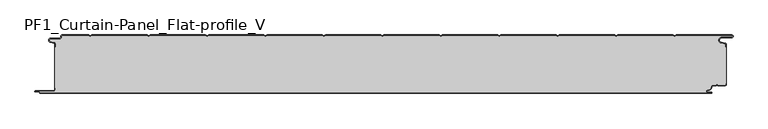
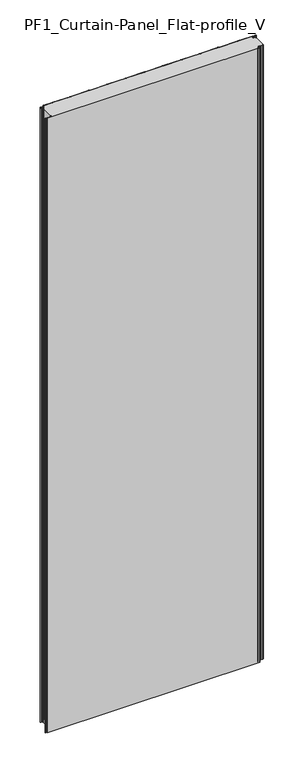
"""IFC4 building model written with IfcOpenShell, lengths in millimetres: plate geometry, PF1_Curtain-Panel_Flat-profile_V."""

from ifc_helpers import new_model, si_unit, point, frame_2d, origin, origin_with_axes, place, context, project, spatial, polyline, circle_curve, trimmed, segment, composite_curve, outline, extrude, source, transform, mapped, element, save


def pf1_curtain_panel_flat_profile_v_8d65df82(model_context):
    return source(origin(), model_context, "Body", "SweptSolid", [
        extrude(outline(composite_curve([segment(trimmed(circle_curve(frame_2d((-577.0, -15.878557)), 2.0), [point((-575.0, -15.878557))], [point((-576.5500978, -13.9298169))], True, "CARTESIAN"), True, "CONTINUOUS"), segment(polyline([(-576.5500978, -13.9298169), (-582.7098239, -12.507732)]), True, "CONTINUOUS"), segment(trimmed(circle_curve(frame_2d((-581.9, -9.0)), 3.6), [point((-582.7098239, -12.507732))], [point((-581.9, -5.4))], False, "CARTESIAN"), True, "CONTINUOUS"), segment(polyline([(-581.9, -5.4), (-566.4, -5.4)]), True, "CONTINUOUS"), segment(trimmed(circle_curve(frame_2d((-566.4, -3.4)), 2.0), [point((-566.4, -5.4))], [point((-564.4, -3.4))], True, "CARTESIAN"), True, "CONTINUOUS"), segment(polyline([(-564.4, -3.4), (-564.4, -2.0)]), True, "CONTINUOUS"), segment(trimmed(circle_curve(frame_2d((-562.4, -2.0)), 2.0), [point((-564.4, -2.0))], [point((-562.4, 0.0))], False, "CARTESIAN"), True, "CONTINUOUS"), segment(polyline([(-562.4, 0.0), (-517.0999995, 0.0), (-514.4, -1.5588455), (-511.7000005, 0.0), (-417.0999995, 0.0), (-414.4, -1.5588455), (-411.7000005, 0.0), (-317.0999995, 0.0), (-314.4, -1.5588455), (-311.7000005, 0.0), (-217.0999995, 0.0), (-214.4, -1.5588455), (-211.7000005, 0.0), (-117.0999995, 0.0), (-114.4, -1.5588455), (-111.7000005, 0.0), (-17.0999995, 0.0), (-14.4, -1.5588455), (-11.7000005, 0.0), (82.9000005, 0.0), (85.6, -1.5588455), (88.2999995, 0.0), (182.9000005, 0.0), (185.6, -1.5588455), (188.2999995, 0.0), (282.9000005, 0.0), (285.6, -1.5588455), (288.2999995, 0.0), (382.9000005, 0.0), (385.6, -1.5588455), (388.2999995, 0.0), (482.9000005, 0.0), (485.6, -1.5588455), (488.2999995, 0.0), (583.268846, 0.0)]), True, "CONTINUOUS"), segment(trimmed(circle_curve(frame_2d((583.268846, -2.5)), 2.5), [point((583.268846, 0.0))], [point((583.268846, -5.0))], False, "CARTESIAN"), True, "CONTINUOUS"), segment(polyline([(583.268846, -5.0), (566.268846, -5.0)]), True, "CONTINUOUS"), segment(trimmed(circle_curve(frame_2d((566.268846, -9.0)), 4.0), [point((566.268846, -5.0))], [point((565.574253, -12.939231))], True, "CARTESIAN"), True, "CONTINUOUS"), segment(polyline([(565.574253, -12.939231), (572.0203315, -14.0758491)]), True, "CONTINUOUS"), segment(trimmed(circle_curve(frame_2d((571.568846, -16.6363492)), 2.6), [point((572.0203315, -14.0758491))], [point((574.168846, -16.6363492))], False, "CARTESIAN"), True, "CONTINUOUS"), segment(polyline([(574.168846, -16.6363492), (574.168846, -20.0), (573.368846, -20.0), (573.368846, -16.6363492)]), True, "CONTINUOUS"), segment(trimmed(circle_curve(frame_2d((571.568846, -16.6363492)), 1.8), [point((573.368846, -16.6363492))], [point((571.8814129, -14.8636953))], True, "CARTESIAN"), True, "CONTINUOUS"), segment(polyline([(571.8814129, -14.8636953), (565.4353344, -13.7270772)]), True, "CONTINUOUS"), segment(trimmed(circle_curve(frame_2d((566.268846, -9.0)), 4.8), [point((565.4353344, -13.7270772))], [point((566.268846, -4.2))], False, "CARTESIAN"), True, "CONTINUOUS"), segment(polyline([(566.268846, -4.2), (583.268846, -4.2)]), True, "CONTINUOUS"), segment(trimmed(circle_curve(frame_2d((583.268846, -2.5)), 1.7), [point((583.268846, -4.2))], [point((583.268846, -0.8))], True, "CARTESIAN"), True, "CONTINUOUS"), segment(polyline([(583.268846, -0.8), (488.5143588, -0.8), (485.6, -2.482606), (482.6856412, -0.8), (388.5143588, -0.8), (385.6, -2.482606), (382.6856412, -0.8), (288.5143588, -0.8), (285.6, -2.482606), (282.6856412, -0.8), (188.5143588, -0.8), (185.6, -2.482606), (182.6856412, -0.8), (88.5143588, -0.8), (85.6, -2.482606), (82.6856412, -0.8), (-11.4856412, -0.8), (-14.4, -2.482606), (-17.3143588, -0.8), (-111.4856412, -0.8), (-114.4, -2.482606), (-117.3143588, -0.8), (-211.4856412, -0.8), (-214.4, -2.482606), (-217.3143588, -0.8), (-311.4856412, -0.8), (-314.4, -2.482606), (-317.3143588, -0.8), (-411.4856412, -0.8), (-414.4, -2.482606), (-417.3143588, -0.8), (-511.4856412, -0.8), (-514.4, -2.482606), (-517.3143588, -0.8), (-562.4, -0.8)]), True, "CONTINUOUS"), segment(trimmed(circle_curve(frame_2d((-562.4, -2.0)), 1.2), [point((-562.4, -0.8))], [point((-563.6, -2.0))], True, "CARTESIAN"), True, "CONTINUOUS"), segment(polyline([(-563.6, -2.0), (-563.6, -3.4)]), True, "CONTINUOUS"), segment(trimmed(circle_curve(frame_2d((-566.4, -3.4)), 2.8), [point((-563.6, -3.4))], [point((-566.4, -6.2))], False, "CARTESIAN"), True, "CONTINUOUS"), segment(polyline([(-566.4, -6.2), (-581.9, -6.2)]), True, "CONTINUOUS"), segment(trimmed(circle_curve(frame_2d((-581.9, -9.0)), 2.8), [point((-581.9, -6.2))], [point((-582.529863, -11.7282362))], True, "CARTESIAN"), True, "CONTINUOUS"), segment(polyline([(-582.529863, -11.7282362), (-576.370137, -13.150321)]), True, "CONTINUOUS"), segment(trimmed(circle_curve(frame_2d((-577.0, -15.878557)), 2.8), [point((-576.370137, -13.150321))], [point((-574.2, -15.878557))], False, "CARTESIAN"), True, "CONTINUOUS"), segment(polyline([(-574.2, -15.878557), (-574.2, -20.0), (-575.0, -20.0), (-575.0, -15.878557)]), True, "CONTINUOUS")], self_intersect=False)), origin_with_axes(), (0.0, 0.0, 1.0), 3500.0),
        extrude(outline(composite_curve([segment(polyline([(-574.2, -90.0), (-575.0, -90.0), (-575.0, -20.0), (-574.2, -20.0), (-574.2, -15.878557)]), True, "CONTINUOUS"), segment(trimmed(circle_curve(frame_2d((-577.0, -15.878557)), 2.8), [point((-574.2, -15.878557))], [point((-576.370137, -13.1503208))], True, "CARTESIAN"), True, "CONTINUOUS"), segment(polyline([(-576.370137, -13.1503208), (-582.529863, -11.7282362)]), True, "CONTINUOUS"), segment(trimmed(circle_curve(frame_2d((-581.9, -9.0)), 2.8), [point((-582.529863, -11.7282362))], [point((-581.9, -6.2))], False, "CARTESIAN"), True, "CONTINUOUS"), segment(polyline([(-581.9, -6.2), (-566.4, -6.2)]), True, "CONTINUOUS"), segment(trimmed(circle_curve(frame_2d((-566.4, -3.4)), 2.8), [point((-566.4, -6.2))], [point((-563.6, -3.4))], True, "CARTESIAN"), True, "CONTINUOUS"), segment(polyline([(-563.6, -3.4), (-563.6, -2.0)]), True, "CONTINUOUS"), segment(trimmed(circle_curve(frame_2d((-562.4, -2.0)), 1.2), [point((-563.6, -2.0))], [point((-562.4, -0.8))], False, "CARTESIAN"), True, "CONTINUOUS"), segment(polyline([(-562.4, -0.8), (-517.3143588, -0.8), (-514.4, -2.482606), (-511.4856412, -0.8), (-417.3143588, -0.8), (-414.4, -2.482606), (-411.4856412, -0.8), (-317.3143588, -0.8), (-314.4, -2.482606), (-311.4856412, -0.8), (-217.3143588, -0.8), (-214.4, -2.482606), (-211.4856412, -0.8), (-117.3143588, -0.8), (-114.4, -2.482606), (-111.4856412, -0.8), (-17.3143588, -0.8), (-14.4, -2.482606), (-11.4856412, -0.8), (82.6856412, -0.8), (85.6, -2.482606), (88.5143588, -0.8), (182.6856412, -0.8), (185.6, -2.482606), (188.5143588, -0.8), (282.6856412, -0.8), (285.6, -2.482606), (288.5143588, -0.8), (382.6856412, -0.8), (385.6, -2.482606), (388.5143588, -0.8), (482.6856412, -0.8), (485.6, -2.482606), (488.5143588, -0.8), (583.268846, -0.8)]), True, "CONTINUOUS"), segment(trimmed(circle_curve(frame_2d((583.268846, -2.5)), 1.7), [point((583.268846, -0.8))], [point((583.268846, -4.2))], False, "CARTESIAN"), True, "CONTINUOUS"), segment(polyline([(583.268846, -4.2), (566.268846, -4.2)]), True, "CONTINUOUS"), segment(trimmed(circle_curve(frame_2d((566.268846, -9.0)), 4.8), [point((566.268846, -4.2))], [point((565.4353344, -13.7270772))], True, "CARTESIAN"), True, "CONTINUOUS"), segment(polyline([(565.4353344, -13.7270772), (571.8814129, -14.8636953)]), True, "CONTINUOUS"), segment(trimmed(circle_curve(frame_2d((571.568846, -16.6363492)), 1.8), [point((571.8814129, -14.8636953))], [point((573.368846, -16.6363492))], False, "CARTESIAN"), True, "CONTINUOUS"), segment(polyline([(573.368846, -16.6363492), (573.368846, -20.0), (574.168846, -20.0), (574.168846, -83.0), (573.368846, -83.0), (573.368846, -84.4)]), True, "CONTINUOUS"), segment(trimmed(circle_curve(frame_2d((571.568846, -84.4)), 1.8), [point((573.368846, -84.4))], [point((571.568846, -86.2))], False, "CARTESIAN"), True, "CONTINUOUS"), segment(polyline([(571.568846, -86.2), (560.0002158, -86.2), (558.168846, -84.3686285), (556.3374762, -86.2), (550.168846, -86.2)]), True, "CONTINUOUS"), segment(trimmed(circle_curve(frame_2d((550.168846, -88.0)), 1.8), [point((550.168846, -86.2))], [point((548.368846, -88.0))], True, "CARTESIAN"), True, "CONTINUOUS"), segment(polyline([(548.368846, -88.0), (548.368846, -88.8276204)]), True, "CONTINUOUS"), segment(trimmed(circle_curve(frame_2d((542.9964664, -88.8276204)), 5.3723796), [point((548.368846, -88.8276204))], [point((542.9964664, -94.2))], False, "CARTESIAN"), True, "CONTINUOUS"), segment(polyline([(542.9964664, -94.2), (542.168846, -94.2)]), True, "CONTINUOUS"), segment(trimmed(circle_curve(frame_2d((542.168846, -96.4)), 2.2), [point((542.168846, -94.2))], [point((542.168846, -98.6))], True, "CARTESIAN"), True, "CONTINUOUS"), segment(polyline([(542.168846, -98.6), (548.0579973, -98.6)]), True, "CONTINUOUS"), segment(trimmed(circle_curve(frame_2d((548.0579973, -98.9)), 0.3), [point((548.0579973, -98.6))], [point((548.0579973, -99.2))], False, "CARTESIAN"), True, "CONTINUOUS"), segment(polyline([(548.0579973, -99.2), (-599.4, -99.2)]), True, "CONTINUOUS"), segment(trimmed(circle_curve(frame_2d((-599.4, -98.4)), 0.8), [point((-599.4, -99.2))], [point((-600.2, -98.4))], False, "CARTESIAN"), True, "CONTINUOUS"), segment(trimmed(circle_curve(frame_2d((-601.9, -98.6133333)), 1.7133333), [point((-600.2, -98.4))], [point((-601.9, -96.9))], True, "CARTESIAN"), True, "CONTINUOUS"), segment(polyline([(-601.9, -96.9), (-607.8700312, -96.9)]), True, "CONTINUOUS"), segment(trimmed(circle_curve(frame_2d((-607.8700312, -96.6)), 0.3), [point((-607.8700312, -96.9))], [point((-607.8700312, -96.3))], False, "CARTESIAN"), True, "CONTINUOUS"), segment(polyline([(-607.8700312, -96.3), (-577.0, -96.3)]), True, "CONTINUOUS"), segment(trimmed(circle_curve(frame_2d((-577.0, -93.5)), 2.8), [point((-577.0, -96.3))], [point((-574.2, -93.5))], True, "CARTESIAN"), True, "CONTINUOUS"), segment(polyline([(-574.2, -93.5), (-574.2, -90.0)]), True, "CONTINUOUS")], self_intersect=False)), origin_with_axes(), (0.0, 0.0, 1.0), 3500.0),
        extrude(outline(composite_curve([segment(polyline([(-575.0, -90.0), (-574.2, -90.0), (-574.2, -93.5)]), True, "CONTINUOUS"), segment(trimmed(circle_curve(frame_2d((-577.0, -93.5)), 2.8), [point((-574.2, -93.5))], [point((-577.0, -96.3))], False, "CARTESIAN"), True, "CONTINUOUS"), segment(polyline([(-577.0, -96.3), (-607.8700312, -96.3)]), True, "CONTINUOUS"), segment(trimmed(circle_curve(frame_2d((-607.8700312, -96.6)), 0.3), [point((-607.8700312, -96.3))], [point((-607.8700312, -96.9))], True, "CARTESIAN"), True, "CONTINUOUS"), segment(polyline([(-607.8700312, -96.9), (-601.9, -96.9)]), True, "CONTINUOUS"), segment(trimmed(circle_curve(frame_2d((-601.9, -98.6133333)), 1.7133333), [point((-601.9, -96.9))], [point((-600.2, -98.4))], False, "CARTESIAN"), True, "CONTINUOUS"), segment(trimmed(circle_curve(frame_2d((-599.4, -98.4)), 0.8), [point((-600.2, -98.4))], [point((-599.4, -99.2))], True, "CARTESIAN"), True, "CONTINUOUS"), segment(polyline([(-599.4, -99.2), (548.0579973, -99.2)]), True, "CONTINUOUS"), segment(trimmed(circle_curve(frame_2d((548.0579973, -98.9)), 0.3), [point((548.0579973, -99.2))], [point((548.0579973, -98.6))], True, "CARTESIAN"), True, "CONTINUOUS"), segment(polyline([(548.0579973, -98.6), (542.168846, -98.6)]), True, "CONTINUOUS"), segment(trimmed(circle_curve(frame_2d((542.168846, -96.4)), 2.2), [point((542.168846, -98.6))], [point((542.168846, -94.2))], False, "CARTESIAN"), True, "CONTINUOUS"), segment(polyline([(542.168846, -94.2), (542.9964664, -94.2)]), True, "CONTINUOUS"), segment(trimmed(circle_curve(frame_2d((542.9964664, -88.8276204)), 5.3723796), [point((542.9964664, -94.2))], [point((548.368846, -88.8276204))], True, "CARTESIAN"), True, "CONTINUOUS"), segment(polyline([(548.368846, -88.8276204), (548.368846, -88.0)]), True, "CONTINUOUS"), segment(trimmed(circle_curve(frame_2d((550.168846, -88.0)), 1.8), [point((548.368846, -88.0))], [point((550.168846, -86.2))], False, "CARTESIAN"), True, "CONTINUOUS"), segment(polyline([(550.168846, -86.2), (556.3374762, -86.2), (558.168846, -84.3686285), (560.0002158, -86.2), (571.568846, -86.2)]), True, "CONTINUOUS"), segment(trimmed(circle_curve(frame_2d((571.568846, -84.4)), 1.8), [point((571.568846, -86.2))], [point((573.368846, -84.4))], True, "CARTESIAN"), True, "CONTINUOUS"), segment(polyline([(573.368846, -84.4), (573.368846, -83.0), (574.168846, -83.0), (574.168846, -84.4)]), True, "CONTINUOUS"), segment(trimmed(circle_curve(frame_2d((571.568846, -84.4)), 2.6), [point((574.168846, -84.4))], [point((571.568846, -87.0))], False, "CARTESIAN"), True, "CONTINUOUS"), segment(polyline([(571.568846, -87.0), (559.6688448, -87.0), (558.168846, -85.4999999), (556.6688472, -87.0), (550.168846, -87.0)]), True, "CONTINUOUS"), segment(trimmed(circle_curve(frame_2d((550.168846, -88.0)), 1.0), [point((550.168846, -87.0))], [point((549.168846, -88.0))], True, "CARTESIAN"), True, "CONTINUOUS"), segment(polyline([(549.168846, -88.0), (549.168846, -88.8276204)]), True, "CONTINUOUS"), segment(trimmed(circle_curve(frame_2d((542.9964664, -88.8276204)), 6.1723796), [point((549.168846, -88.8276204))], [point((542.9964664, -95.0))], False, "CARTESIAN"), True, "CONTINUOUS"), segment(polyline([(542.9964664, -95.0), (542.168846, -95.0)]), True, "CONTINUOUS"), segment(trimmed(circle_curve(frame_2d((542.168846, -96.5)), 1.5), [point((542.168846, -95.0))], [point((542.168846, -98.0))], True, "CARTESIAN"), True, "CONTINUOUS"), segment(polyline([(542.168846, -98.0), (548.168846, -98.0)]), True, "CONTINUOUS"), segment(trimmed(circle_curve(frame_2d((548.168846, -99.0)), 1.0), [point((548.168846, -98.0))], [point((548.168846, -100.0))], False, "CARTESIAN"), True, "CONTINUOUS"), segment(polyline([(548.168846, -100.0), (-599.4, -100.0)]), True, "CONTINUOUS"), segment(trimmed(circle_curve(frame_2d((-599.4, -98.4)), 1.6), [point((-599.4, -100.0))], [point((-601.0, -98.4))], False, "CARTESIAN"), True, "CONTINUOUS"), segment(trimmed(circle_curve(frame_2d((-601.9, -98.4)), 0.9), [point((-601.0, -98.4))], [point((-601.9, -97.5))], True, "CARTESIAN"), True, "CONTINUOUS"), segment(polyline([(-601.9, -97.5), (-608.0, -97.5)]), True, "CONTINUOUS"), segment(trimmed(circle_curve(frame_2d((-608.0, -96.5)), 1.0), [point((-608.0, -97.5))], [point((-608.0, -95.5))], False, "CARTESIAN"), True, "CONTINUOUS"), segment(polyline([(-608.0, -95.5), (-577.0, -95.5)]), True, "CONTINUOUS"), segment(trimmed(circle_curve(frame_2d((-577.0, -93.5)), 2.0), [point((-577.0, -95.5))], [point((-575.0, -93.5))], True, "CARTESIAN"), True, "CONTINUOUS"), segment(polyline([(-575.0, -93.5), (-575.0, -90.0)]), True, "CONTINUOUS")], self_intersect=False)), origin_with_axes(), (0.0, 0.0, 1.0), 3500.0),
    ])


if __name__ == "__main__":
    model = new_model("IFC4")
    model_context = context("Model", 3, world=origin())
    ifc_project = project(units=[si_unit("LENGTHUNIT", "METRE", prefix="MILLI")], contexts=[model_context])
    site = spatial("IfcSite", under=ifc_project)
    building = spatial("IfcBuilding", under=site)
    placement = place(None, origin())
    pf1_curtain_panel_flat_profile_v_shape = pf1_curtain_panel_flat_profile_v_8d65df82(model_context)
    element("IfcPlate", 1, ObjectType="PF1_Curtain-Panel_Flat-profile_V", at=placement, inside=building, context=model_context, shape_type="MappedRepresentation", body=[
        mapped(pf1_curtain_panel_flat_profile_v_shape, transform((0.0, 0.0, 0.0), x_axis=(1.0, 0.0, 0.0), y_axis=(0.0, 1.0, 0.0), z_axis=(0.0, 0.0, 1.0))),
    ])
    save(model, "model.ifc")
